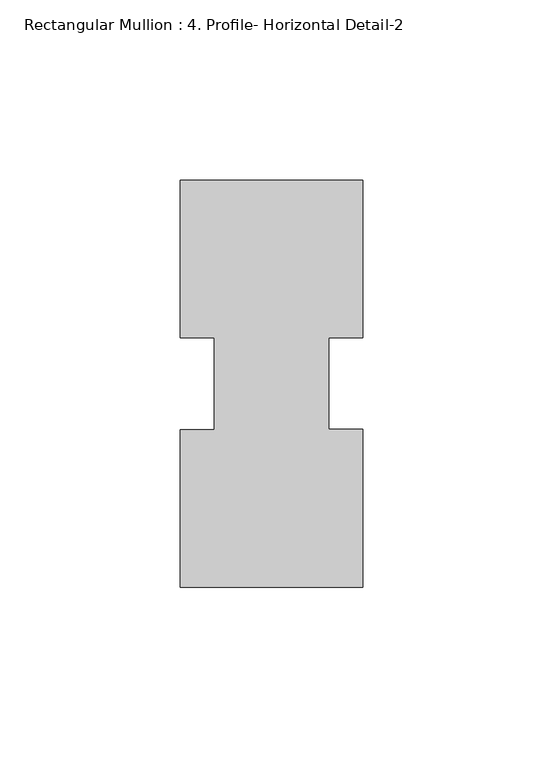
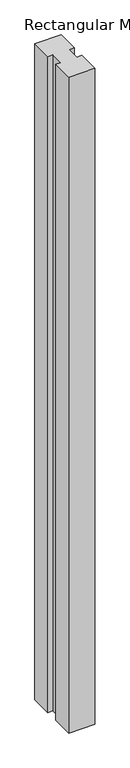
"""IFC4 building model written with IfcOpenShell, lengths in millimetres: member geometry, Rectangular Mullion : 4. Profile- Horizontal Detail-2."""

from ifc_helpers import new_model, si_unit, frame, origin, place, context, project, spatial, polyline, outline, extrude, source, transform, mapped, element, save


def rectangular_mullion_4_profile_horizontal_detail_2_e2029cbc(model_context):
    return source(origin(), model_context, "Body", "SweptSolid", [
        extrude(outline(polyline([(25.327459, 12.5364172), (15.802459, 12.5364172), (15.802459, -12.9487126), (25.327459, -12.9487126), (25.327459, -56.736615), (-25.472541, -56.736615), (-25.472541, -12.9512811), (-15.947541, -12.9512811), (-15.947541, 12.5364172), (-25.472541, 12.5364172), (-25.472541, 56.344185), (25.327459, 56.344185), (25.327459, 12.5364172)])), frame((0.0, 0.0, -1339.85), z_axis=(0.0, 0.0, 1.0), x_axis=(1.0, 0.0, 0.0)), (0.0, 0.0, 1.0), 1339.85),
    ])


if __name__ == "__main__":
    model = new_model("IFC4")
    model_context = context("Model", 3, world=origin())
    ifc_project = project(units=[si_unit("LENGTHUNIT", "METRE", prefix="MILLI")], contexts=[model_context])
    site = spatial("IfcSite", under=ifc_project)
    building = spatial("IfcBuilding", under=site)
    placement = place(None, origin())
    rectangular_mullion_4_profile_horizontal_detail_2_shape = rectangular_mullion_4_profile_horizontal_detail_2_e2029cbc(model_context)
    element("IfcMember", 1, ObjectType="Rectangular Mullion : 4. Profile- Horizontal Detail-2", at=placement, inside=building, context=model_context, shape_type="MappedRepresentation", body=[
        mapped(rectangular_mullion_4_profile_horizontal_detail_2_shape, transform((0.0, 0.0, 0.0), x_axis=(1.0, 0.0, 0.0), y_axis=(0.0, 1.0, 0.0), z_axis=(0.0, 0.0, 1.0))),
    ])
    save(model, "model.ifc")
